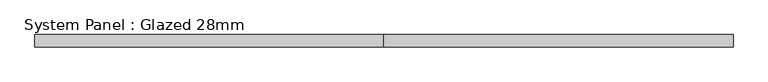
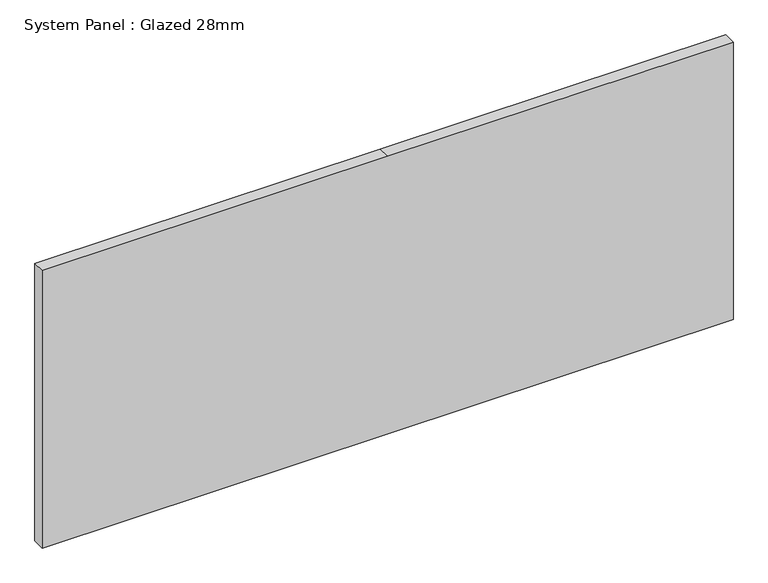
"""IFC4 building model written with IfcOpenShell, lengths in millimetres: plate geometry, System Panel : Glazed 28mm."""

from ifc_helpers import new_model, si_unit, frame, origin, place, context, project, spatial, polyline, outline, extrude, source, transform, mapped, element, save


def system_panel_glazed_28mm_f4f950fa(model_context):
    return source(origin(), model_context, "Body", "SweptSolid", [
        extrude(outline(polyline([(0.0, -778.0000358), (0.0, -9e-07), (0.0, 778.0000358), (661.0049991, 778.0000358), (661.0049991, -9e-07), (661.0049991, -778.0000358), (0.0, -778.0000358)])), frame((0.0, -14.0, 0.0), z_axis=(0.0, 1.0, 0.0), x_axis=(0.0, 0.0, 1.0)), (0.0, 0.0, 1.0), 28.0),
    ])


if __name__ == "__main__":
    model = new_model("IFC4")
    model_context = context("Model", 3, world=origin())
    ifc_project = project(units=[si_unit("LENGTHUNIT", "METRE", prefix="MILLI")], contexts=[model_context])
    site = spatial("IfcSite", under=ifc_project)
    building = spatial("IfcBuilding", under=site)
    placement = place(None, origin())
    system_panel_glazed_28mm_shape = system_panel_glazed_28mm_f4f950fa(model_context)
    element("IfcPlate", 1, ObjectType="System Panel : Glazed 28mm", at=placement, inside=building, context=model_context, shape_type="MappedRepresentation", body=[
        mapped(system_panel_glazed_28mm_shape, transform((0.0, 0.0, 0.0), x_axis=(1.0, 0.0, 0.0), y_axis=(0.0, 1.0, 0.0), z_axis=(0.0, 0.0, 1.0))),
    ])
    save(model, "model.ifc")
